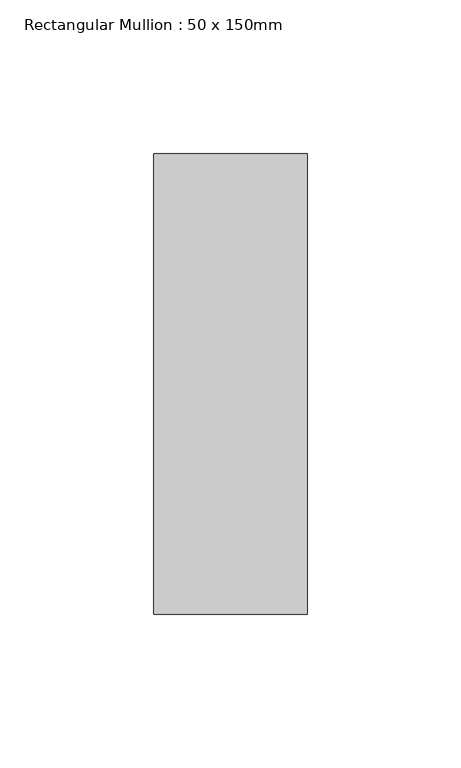
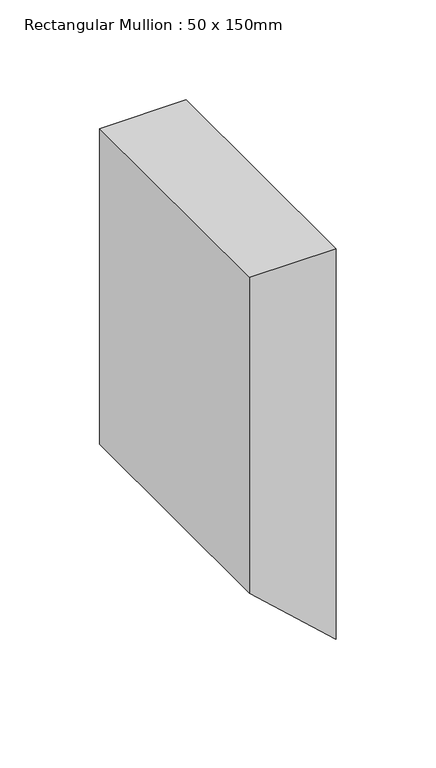
"""IFC4 building model written with IfcOpenShell, lengths in millimetres: member geometry, Rectangular Mullion : 50 x 150mm."""

from ifc_helpers import new_model, si_unit, frame, origin, place, context, project, spatial, polyline, outline, extrude, source, transform, mapped, element, save


def rectangular_mullion_50_x_150mm_972428e5(model_context):
    return source(origin(), model_context, "Body", "SweptSolid", [
        extrude(outline(polyline([(0.0, 0.0), (0.0, -50.0), (-192.9889401, -50.0), (-238.7602488, 0.0), (0.0, 0.0)])), frame((0.0, -75.0, 0.0), z_axis=(0.0, 1.0, 0.0), x_axis=(0.0, 0.0, 1.0)), (0.0, 0.0, 1.0), 150.0),
    ])


if __name__ == "__main__":
    model = new_model("IFC4")
    model_context = context("Model", 3, world=origin())
    ifc_project = project(units=[si_unit("LENGTHUNIT", "METRE", prefix="MILLI")], contexts=[model_context])
    site = spatial("IfcSite", under=ifc_project)
    building = spatial("IfcBuilding", under=site)
    placement = place(None, origin())
    rectangular_mullion_50_x_150mm_shape = rectangular_mullion_50_x_150mm_972428e5(model_context)
    element("IfcMember", 1, ObjectType="Rectangular Mullion : 50 x 150mm", at=placement, inside=building, context=model_context, shape_type="MappedRepresentation", body=[
        mapped(rectangular_mullion_50_x_150mm_shape, transform((0.0, 0.0, 0.0), x_axis=(1.0, 0.0, 0.0), y_axis=(0.0, 1.0, 0.0), z_axis=(0.0, 0.0, 1.0))),
    ])
    save(model, "model.ifc")
